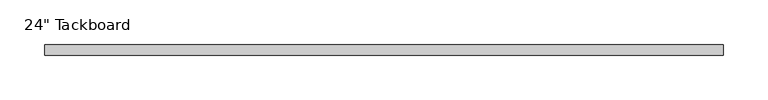
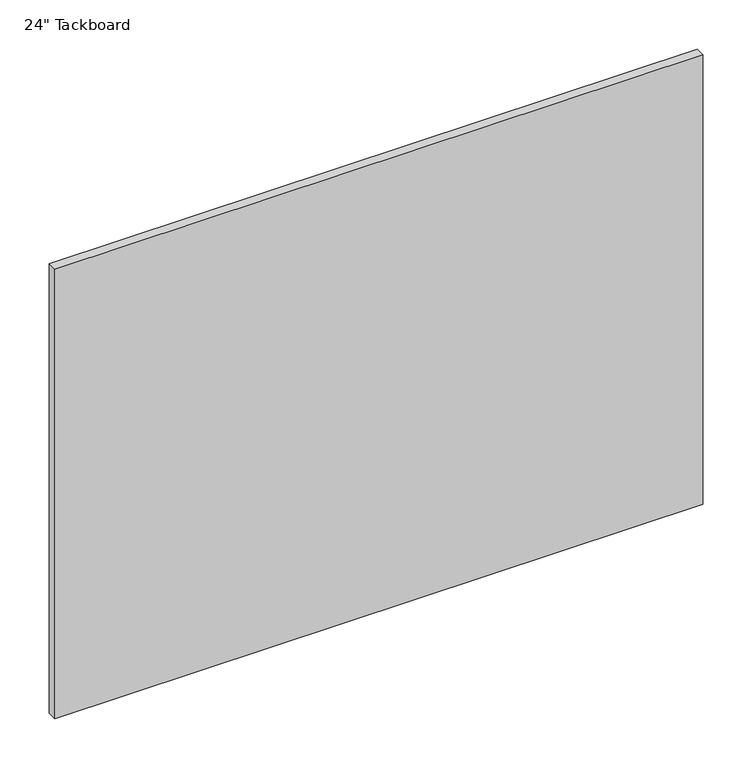
"""IFC4 building model written with IfcOpenShell, lengths in millimetres: furniture geometry."""

from ifc_helpers import new_model, si_unit, frame, origin, place, context, project, spatial, polyline, outline, extrude, source, transform, mapped, element, save


def furniture_d0b8a19b(model_context):
    return source(origin(), model_context, "Body", "SweptSolid", [
        extrude(outline(polyline([(546.1, 0.0), (546.1, -11.90625), (-215.9, -11.90625), (-215.9, 0.0), (546.1, 0.0)])), frame((0.0, 0.0, 762.0), z_axis=(0.0, 0.0, 1.0), x_axis=(1.0, 0.0, 0.0)), (0.0, 0.0, 1.0), 558.8),
    ])


if __name__ == "__main__":
    model = new_model("IFC4")
    model_context = context("Model", 3, world=origin())
    ifc_project = project(units=[si_unit("LENGTHUNIT", "METRE", prefix="MILLI")], contexts=[model_context])
    site = spatial("IfcSite", under=ifc_project)
    building = spatial("IfcBuilding", under=site)
    placement = place(None, origin())
    furniture_shape = furniture_d0b8a19b(model_context)
    element("IfcFurniture", 1, ObjectType="24\" Tackboard", at=placement, inside=building, context=model_context, shape_type="MappedRepresentation", body=[
        mapped(furniture_shape, transform((0.0, 0.0, 0.0), x_axis=(1.0, 0.0, 0.0), y_axis=(0.0, 1.0, 0.0), z_axis=(0.0, 0.0, 1.0))),
    ])
    save(model, "model.ifc")
